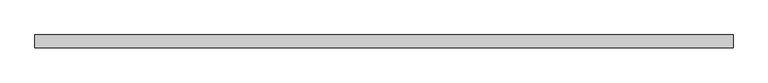
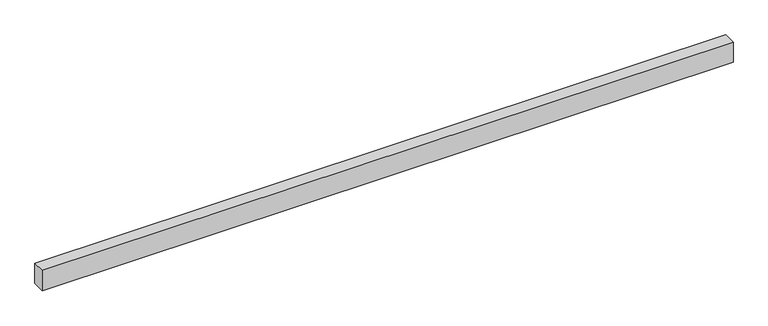
"""IFC4 building model written with IfcOpenShell, lengths in millimetres: beam geometry."""

from ifc_helpers import new_model, si_unit, frame, origin, place, context, project, spatial, polyline, outline, extrude, source, transform, mapped, element, save


def beam_fa65da98(model_context):
    return source(origin(), model_context, "Body", "SweptSolid", [
        extrude(outline(polyline([(812.5, 15.0), (812.5, -15.0), (-812.5, -15.0), (-812.5, 15.0), (812.5, 15.0)])), frame((0.0, 0.0, -25.0), z_axis=(0.0, 0.0, 1.0), x_axis=(1.0, 0.0, 0.0)), (0.0, 0.0, 1.0), 50.0),
    ])


if __name__ == "__main__":
    model = new_model("IFC4")
    model_context = context("Model", 3, world=origin())
    ifc_project = project(units=[si_unit("LENGTHUNIT", "METRE", prefix="MILLI")], contexts=[model_context])
    site = spatial("IfcSite", under=ifc_project)
    building = spatial("IfcBuilding", under=site)
    placement = place(None, origin())
    beam_shape = beam_fa65da98(model_context)
    element("IfcBeam", 1, at=placement, inside=building, context=model_context, shape_type="MappedRepresentation", body=[
        mapped(beam_shape, transform((0.0, 0.0, 0.0), x_axis=(1.0, 0.0, 0.0), y_axis=(0.0, 1.0, 0.0), z_axis=(0.0, 0.0, 1.0))),
    ])
    save(model, "model.ifc")
